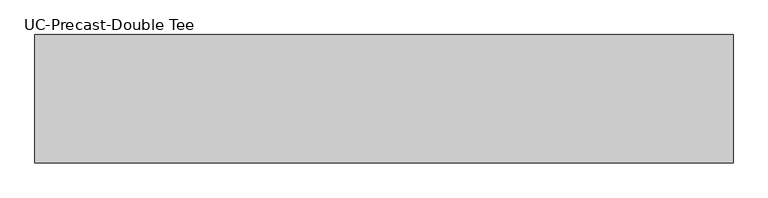
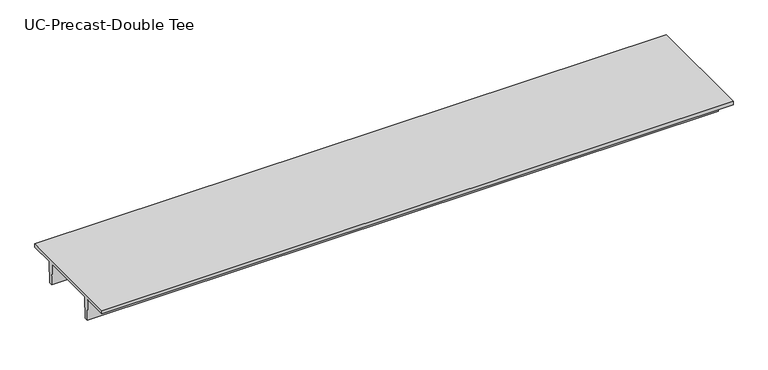
"""IFC4 building model written with IfcOpenShell, lengths in millimetres: beam geometry, UC-Precast-Double Tee."""

from ifc_helpers import new_model, si_unit, frame, origin, place, context, project, spatial, polyline, outline, extrude, source, transform, mapped, element, save


def uc_precast_double_tee_f31987b7(model_context):
    return source(origin(), model_context, "Body", "SweptSolid", [
        extrude(outline(polyline([(1714.5, 381.0), (1714.5, 279.4), (990.6, 279.4), (965.2, -381.0), (863.6, -381.0), (838.2, 279.4), (-838.2, 279.4), (-863.6, -381.0), (-965.2, -381.0), (-990.6, 279.4), (-1714.5, 279.4), (-1714.5, 381.0), (1714.5, 381.0)])), frame((-9474.1999994, 0.0, 0.0), z_axis=(1.0, 0.0, 0.0), x_axis=(0.0, 1.0, 0.0)), (0.0, 0.0, 1.0), 18643.5999994),
    ])


if __name__ == "__main__":
    model = new_model("IFC4")
    model_context = context("Model", 3, world=origin())
    ifc_project = project(units=[si_unit("LENGTHUNIT", "METRE", prefix="MILLI")], contexts=[model_context])
    site = spatial("IfcSite", under=ifc_project)
    building = spatial("IfcBuilding", under=site)
    placement = place(None, origin())
    uc_precast_double_tee_shape = uc_precast_double_tee_f31987b7(model_context)
    element("IfcBeam", 1, ObjectType="UC-Precast-Double Tee", at=placement, inside=building, context=model_context, shape_type="MappedRepresentation", body=[
        mapped(uc_precast_double_tee_shape, transform((0.0, 0.0, 0.0), x_axis=(1.0, 0.0, 0.0), y_axis=(0.0, 1.0, 0.0), z_axis=(0.0, 0.0, 1.0))),
    ])
    save(model, "model.ifc")
